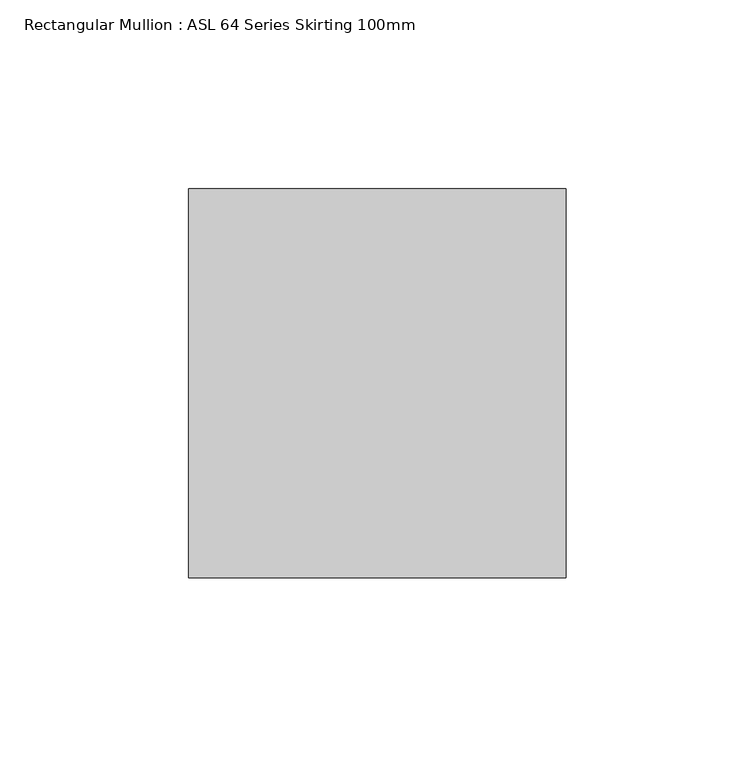
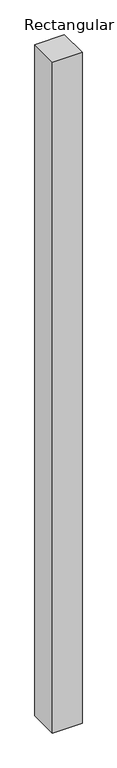
"""IFC4 building model written with IfcOpenShell, lengths in millimetres: member geometry, Rectangular Mullion : ASL 64 Series Skirting 100mm."""

from ifc_helpers import new_model, si_unit, frame, origin, place, context, project, spatial, polyline, outline, extrude, source, transform, mapped, element, save


def rectangular_mullion_asl_64_series_skirting_100mm_b6bb46f2(model_context):
    return source(origin(), model_context, "Body", "SweptSolid", [
        extrude(outline(polyline([(-100.0, 51.5), (0.0, 51.5), (0.0, -51.5), (-100.0, -51.5), (-100.0, 51.5)])), frame((0.0, 0.0, -2400.0), z_axis=(0.0, 0.0, 1.0), x_axis=(1.0, 0.0, 0.0)), (0.0, 0.0, 1.0), 2400.0),
    ])


if __name__ == "__main__":
    model = new_model("IFC4")
    model_context = context("Model", 3, world=origin())
    ifc_project = project(units=[si_unit("LENGTHUNIT", "METRE", prefix="MILLI")], contexts=[model_context])
    site = spatial("IfcSite", under=ifc_project)
    building = spatial("IfcBuilding", under=site)
    placement = place(None, origin())
    rectangular_mullion_asl_64_series_skirting_100mm_shape = rectangular_mullion_asl_64_series_skirting_100mm_b6bb46f2(model_context)
    element("IfcMember", 1, ObjectType="Rectangular Mullion : ASL 64 Series Skirting 100mm", at=placement, inside=building, context=model_context, shape_type="MappedRepresentation", body=[
        mapped(rectangular_mullion_asl_64_series_skirting_100mm_shape, transform((0.0, 0.0, 0.0), x_axis=(1.0, 0.0, 0.0), y_axis=(0.0, 1.0, 0.0), z_axis=(0.0, 0.0, 1.0))),
    ])
    save(model, "model.ifc")
